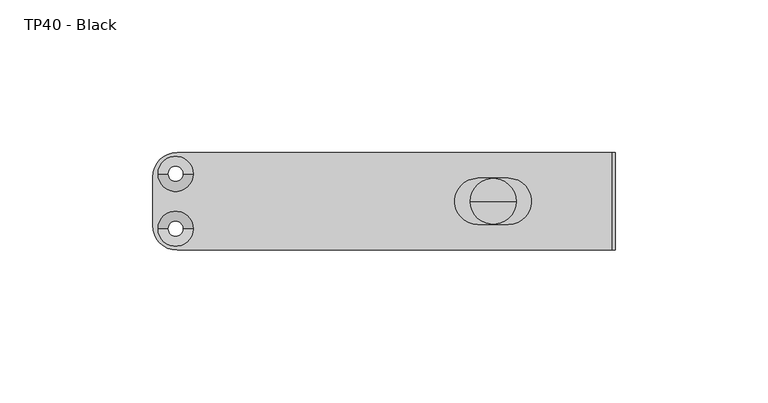
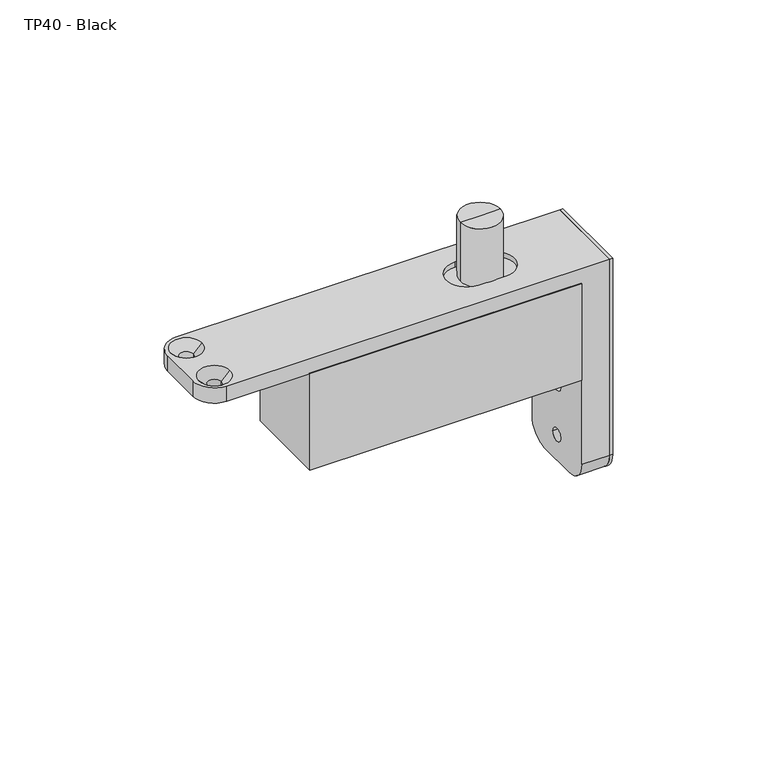
"""IFC4 building model written with IfcOpenShell, lengths in millimetres: proxy geometry, TP40 - Black."""

from ifc_helpers import new_model, si_unit, point, frame, frame_2d, origin, place, context, project, spatial, polyline, circle_curve, trimmed, segment, composite_curve, outline, extrude, source, transform, mapped, element, save
from ifc_brep_helpers import plane_surface, cylinder_surface, revolved_surface, advanced_brep


def tp40_black_34cb87ef(model_context):
    return source(origin(), model_context, "Body", "SolidModel", [
        extrude(outline(composite_curve([segment(polyline([(-16.0, 0.0), (16.0, 0.0), (16.0, -77.0)]), True, "CONTINUOUS"), segment(trimmed(circle_curve(frame_2d((8.0, -77.0)), 8.0), [point((16.0, -77.0))], [point((8.0, -85.0))], False, "CARTESIAN"), True, "CONTINUOUS"), segment(polyline([(8.0, -85.0), (-8.0, -85.0)]), True, "CONTINUOUS"), segment(trimmed(circle_curve(frame_2d((-8.0, -77.0)), 8.0), [point((-8.0, -85.0))], [point((-16.0, -77.0))], False, "CARTESIAN"), True, "CONTINUOUS"), segment(polyline([(-16.0, -77.0), (-16.0, 0.0)]), True, "CONTINUOUS")], self_intersect=False)), frame((39.0, 0.0, 0.0), z_axis=(1.0, 0.0, 0.0), x_axis=(0.0, 1.0, 0.0)), (0.0, 0.0, 1.0), 1.0),
        extrude(outline(polyline([(28.5, -16.0), (-72.5, -16.0), (-72.5, 16.0), (28.5, 16.0), (28.5, -16.0)])), frame((0.0, 0.0, -44.0), z_axis=(0.0, 0.0, 1.0), x_axis=(1.0, 0.0, 0.0)), (0.0, 0.0, 1.0), 38.0),
        advanced_brep(
        [(7.5, 0.0, -2.0), (-7.5, 0.0, -2.0), (-7.5, 0.0, 21.0), (7.5, 0.0, 21.0), (0.0, 0.0, -2.0), (0.0, 0.0, 21.0)],
        [
            (0, 1, circle_curve(frame((0.0, 0.0, -2.0), z_axis=(0.0, 0.0, 1.0), x_axis=(-1.0, 0.0, 0.0)), 7.5)),
            (1, 2),
            (2, 3, circle_curve(frame((0.0, 0.0, 21.0), z_axis=(0.0, 0.0, -1.0), x_axis=(-1.0, 0.0, 0.0)), 7.5)),
            (3, 0),
            (1, 0, circle_curve(frame((0.0, 0.0, -2.0), z_axis=(0.0, 0.0, 1.0), x_axis=(-1.0, 0.0, 0.0)), 7.5)),
            (3, 2, circle_curve(frame((0.0, 0.0, 21.0), z_axis=(0.0, 0.0, -1.0), x_axis=(-1.0, 0.0, 0.0)), 7.5)),
            (4, 1),
            (0, 4),
            (2, 5),
            (5, 3),
        ],
        [
            cylinder_surface(frame((0.0, 0.0, 29.4005806), z_axis=(0.0, 0.0, -1.0), x_axis=(-1.0, 0.0, 0.0)), 7.5),
            plane_surface(frame((0.0, 0.0, -2.0), z_axis=(0.0, 0.0, -1.0), x_axis=(-1.0, 0.0, 0.0))),
            plane_surface(frame((0.0, 0.0, 21.0), z_axis=(0.0, 0.0, 1.0), x_axis=(-1.0, 0.0, 0.0))),
        ],
        [
            (0, [[1, 2, 3, 4]]),
            (0, [[5, -4, 6, -2]]),
            (1, [[7, -1, 8]]),
            (1, [[-8, -5, -7]]),
            (2, [[-3, 9, 10]]),
            (2, [[-6, -10, -9]]),
        ],
    ),
        advanced_brep(
        [(-103.5, -16.0, -6.0), (28.5, -16.0, -6.0), (28.5, -16.0, -77.0), (39.0, -16.0, -77.0), (39.0, -16.0, 0.0), (-103.5, -16.0, 0.0), (-103.5, 16.0, 0.0), (39.0, 16.0, 0.0), (39.0, 16.0, -77.0), (28.5, 16.0, -77.0), (28.5, 16.0, -6.0), (-103.5, 16.0, -6.0), (-111.5, -8.0, 0.0), (-111.5, 8.0, 0.0), (-111.5, 8.0, -6.0), (-111.5, -8.0, -6.0), (-109.75, 9.0, 0.0), (-98.25, 9.0, 0.0), (-98.25, -9.0, 0.0), (-109.75, -9.0, 0.0), (-5.0, 7.55, 0.0), (5.0, 7.55, 0.0), (5.0, -7.55, 0.0), (-5.0, -7.55, 0.0), (39.0, -8.0, -85.0), (39.0, 8.0, -85.0), (-101.5, 9.0, -6.0), (-106.5, 9.0, -6.0), (-106.5, -9.0, -6.0), (-101.5, -9.0, -6.0), (-101.5, 9.0, -3.25), (-106.5, 9.0, -3.25), (-101.5, -9.0, -3.25), (-106.5, -9.0, -3.25), (5.0, 7.55, -2.0), (-5.0, 7.55, -2.0), (-5.0, -7.55, -2.0), (5.0, -7.55, -2.0), (28.5, 8.0, -85.0), (28.5, -8.0, -85.0), (28.5, -2.5, -55.0), (28.5, 2.5, -55.0), (28.5, -2.5, -75.0), (28.5, 2.5, -75.0), (35.7536635, -2.5, -55.0), (35.7536635, 0.0, -55.0), (35.7536635, 2.5, -55.0), (35.7536635, -2.5, -75.0), (35.7536635, 0.0, -75.0), (35.7536635, 2.5, -75.0)],
        [
            (0, 1),
            (1, 2),
            (2, 3),
            (3, 4),
            (4, 5),
            (5, 0),
            (6, 7),
            (7, 8),
            (8, 9),
            (9, 10),
            (10, 11),
            (11, 6),
            (12, 13),
            (13, 14),
            (14, 15),
            (15, 12),
            (4, 7),
            (6, 13, circle_curve(frame((-103.5, 8.0, 0.0), z_axis=(0.0, 0.0, 1.0), x_axis=(0.0, -1.0, 0.0)), 8.0)),
            (12, 5, circle_curve(frame((-103.5, -8.0, 0.0), z_axis=(0.0, 0.0, 1.0), x_axis=(0.0, -1.0, 0.0)), 8.0)),
            (16, 17, circle_curve(frame((-104.0, 9.0, 0.0), z_axis=(0.0, 0.0, -1.0), x_axis=(-1.0, 0.0, 0.0)), 5.75)),
            (17, 16, circle_curve(frame((-104.0, 9.0, 0.0), z_axis=(0.0, 0.0, -1.0), x_axis=(-1.0, 0.0, 0.0)), 5.75)),
            (18, 19, circle_curve(frame((-104.0, -9.0, 0.0), z_axis=(0.0, 0.0, -1.0), x_axis=(-1.0, 0.0, 0.0)), 5.75)),
            (19, 18, circle_curve(frame((-104.0, -9.0, 0.0), z_axis=(0.0, 0.0, -1.0), x_axis=(-1.0, 0.0, 0.0)), 5.75)),
            (20, 21),
            (21, 22, circle_curve(frame((5.0, 0.0, 0.0), z_axis=(0.0, 0.0, -1.0), x_axis=(0.0, -1.0, 0.0)), 7.55)),
            (22, 23),
            (23, 20, circle_curve(frame((-5.0, 0.0, 0.0), z_axis=(0.0, 0.0, -1.0), x_axis=(0.0, -1.0, 0.0)), 7.55)),
            (3, 24, circle_curve(frame((39.0, -8.0, -77.0), z_axis=(1.0, 0.0, 0.0), x_axis=(0.0, 0.0, -1.0)), 8.0)),
            (24, 25),
            (25, 8, circle_curve(frame((39.0, 8.0, -77.0), z_axis=(1.0, 0.0, 0.0), x_axis=(0.0, 0.0, -1.0)), 8.0)),
            (10, 1),
            (0, 15, circle_curve(frame((-103.5, -8.0, -6.0), z_axis=(0.0, 0.0, -1.0), x_axis=(0.0, -1.0, 0.0)), 8.0)),
            (14, 11, circle_curve(frame((-103.5, 8.0, -6.0), z_axis=(0.0, 0.0, -1.0), x_axis=(0.0, -1.0, 0.0)), 8.0)),
            (26, 27, circle_curve(frame((-104.0, 9.0, -6.0), z_axis=(0.0, 0.0, 1.0), x_axis=(-1.0, 0.0, 0.0)), 2.5)),
            (27, 26, circle_curve(frame((-104.0, 9.0, -6.0), z_axis=(0.0, 0.0, 1.0), x_axis=(-1.0, 0.0, 0.0)), 2.5)),
            (28, 29, circle_curve(frame((-104.0, -9.0, -6.0), z_axis=(0.0, 0.0, 1.0), x_axis=(-1.0, 0.0, 0.0)), 2.5)),
            (29, 28, circle_curve(frame((-104.0, -9.0, -6.0), z_axis=(0.0, 0.0, 1.0), x_axis=(-1.0, 0.0, 0.0)), 2.5)),
            (26, 30),
            (30, 31, circle_curve(frame((-104.0, 9.0, -3.25), z_axis=(0.0, 0.0, 1.0), x_axis=(-1.0, 0.0, 0.0)), 2.5)),
            (31, 27),
            (31, 30, circle_curve(frame((-104.0, 9.0, -3.25), z_axis=(0.0, 0.0, 1.0), x_axis=(-1.0, 0.0, 0.0)), 2.5)),
            (30, 17),
            (16, 31),
            (32, 29),
            (28, 33),
            (33, 32, circle_curve(frame((-104.0, -9.0, -3.25), z_axis=(0.0, 0.0, 1.0), x_axis=(-1.0, 0.0, 0.0)), 2.5)),
            (32, 33, circle_curve(frame((-104.0, -9.0, -3.25), z_axis=(0.0, 0.0, 1.0), x_axis=(-1.0, 0.0, 0.0)), 2.5)),
            (33, 19),
            (18, 32),
            (34, 35),
            (35, 36, circle_curve(frame((-5.0, 0.0, -2.0), z_axis=(0.0, 0.0, 1.0), x_axis=(0.0, -1.0, 0.0)), 7.55)),
            (36, 37),
            (37, 34, circle_curve(frame((5.0, 0.0, -2.0), z_axis=(0.0, 0.0, 1.0), x_axis=(0.0, -1.0, 0.0)), 7.55)),
            (34, 21),
            (20, 35),
            (23, 36),
            (22, 37),
            (9, 38, circle_curve(frame((28.5, 8.0, -77.0), z_axis=(-1.0, 0.0, 0.0), x_axis=(0.0, 0.0, -1.0)), 8.0)),
            (38, 39),
            (39, 2, circle_curve(frame((28.5, -8.0, -77.0), z_axis=(-1.0, 0.0, 0.0), x_axis=(0.0, 0.0, -1.0)), 8.0)),
            (40, 41, circle_curve(frame((28.5, 0.0, -55.0), z_axis=(1.0, 0.0, 0.0), x_axis=(0.0, 1.0, 0.0)), 2.5)),
            (41, 40, circle_curve(frame((28.5, 0.0, -55.0), z_axis=(1.0, 0.0, 0.0), x_axis=(0.0, 1.0, 0.0)), 2.5)),
            (42, 43, circle_curve(frame((28.5, 0.0, -75.0), z_axis=(1.0, 0.0, 0.0), x_axis=(0.0, 1.0, 0.0)), 2.5)),
            (43, 42, circle_curve(frame((28.5, 0.0, -75.0), z_axis=(1.0, 0.0, 0.0), x_axis=(0.0, 1.0, 0.0)), 2.5)),
            (24, 39),
            (38, 25),
            (44, 45),
            (45, 46),
            (46, 44, circle_curve(frame((35.7536635, 0.0, -55.0), z_axis=(-1.0, 0.0, 0.0), x_axis=(0.0, 1.0, 0.0)), 2.5)),
            (44, 46, circle_curve(frame((35.7536635, 0.0, -55.0), z_axis=(-1.0, 0.0, 0.0), x_axis=(0.0, 1.0, 0.0)), 2.5)),
            (46, 41),
            (40, 44),
            (47, 48),
            (48, 49),
            (49, 47, circle_curve(frame((35.7536635, 0.0, -75.0), z_axis=(-1.0, 0.0, 0.0), x_axis=(0.0, 1.0, 0.0)), 2.5)),
            (47, 49, circle_curve(frame((35.7536635, 0.0, -75.0), z_axis=(-1.0, 0.0, 0.0), x_axis=(0.0, 1.0, 0.0)), 2.5)),
            (49, 43),
            (42, 47),
        ],
        [
            plane_surface(frame((-62.0, -16.0, -6.0), z_axis=(0.0, -1.0, 0.0), x_axis=(1.0, 0.0, 0.0))),
            plane_surface(frame((-62.0, 16.0, -6.0), z_axis=(0.0, 1.0, 0.0), x_axis=(-1.0, 0.0, 0.0))),
            plane_surface(frame((-111.5, -16.0, 0.0), z_axis=(-1.0, 0.0, 0.0), x_axis=(0.0, 1.0, 0.0))),
            plane_surface(frame((39.0, -16.0, 0.0), z_axis=(0.0, 0.0, 1.0), x_axis=(0.0, 1.0, 0.0))),
            plane_surface(frame((39.0, -16.0, -85.0), z_axis=(1.0, 0.0, 0.0), x_axis=(0.0, 1.0, 0.0))),
            plane_surface(frame((-111.5, -16.0, -6.0), z_axis=(0.0, 0.0, -1.0), x_axis=(0.0, 1.0, 0.0))),
            cylinder_surface(frame((-103.5, -8.0, -7.0), z_axis=(0.0, 0.0, -1.0), x_axis=(0.0, -1.0, 0.0)), 8.0),
            cylinder_surface(frame((-103.5, 8.0, 0.0), z_axis=(0.0, 0.0, -1.0), x_axis=(0.0, -1.0, 0.0)), 8.0),
            revolved_surface(polyline([(-106.5, 9.0, -6.0), (-106.5, 9.0, -3.2499999999999996)]), (-104.0, 9.0, 2.7351973), (0.0, 0.0, -1.0)),
            revolved_surface(polyline([(-106.5, 9.0, -3.25), (-109.75, 9.0, 0.0)]), (-104.0, 9.0, 2.7351973), (0.0, 0.0, -1.0)),
            revolved_surface(polyline([(-106.5, -9.0, -3.2499999999999996), (-106.5, -9.0, -6.0)]), (-104.0, -9.0, 2.7351973), (0.0, 0.0, 1.0)),
            revolved_surface(polyline([(-109.75, -9.0, 0.0), (-106.5, -9.0, -3.25)]), (-104.0, -9.0, 2.7351973), (0.0, 0.0, 1.0)),
            plane_surface(frame((0.0, 0.0, -2.0), z_axis=(0.0, 0.0, 1.0), x_axis=(0.0, -1.0, 0.0))),
            plane_surface(frame((5.0, 7.55, 0.0), z_axis=(0.0, -1.0, 0.0), x_axis=(0.0, 0.0, -1.0))),
            revolved_surface(polyline([(-5.0, -7.55, 0.0), (-5.0, -7.55, -2.0)]), (-5.0, 0.0, 0.0), (0.0, 0.0, 1.0)),
            plane_surface(frame((-5.0, -7.55, 0.0), z_axis=(0.0, 1.0, 0.0), x_axis=(0.0, 0.0, -1.0))),
            revolved_surface(polyline([(5.0, -7.55, 0.0), (5.0, -7.55, -2.0)]), (5.0, 0.0, 0.0), (0.0, 0.0, 1.0)),
            plane_surface(frame((28.5, -16.0, -6.0), z_axis=(-1.0, 0.0, 0.0), x_axis=(0.0, 1.0, 0.0))),
            plane_surface(frame((28.5, -16.0, -85.0), z_axis=(0.0, 0.0, -1.0), x_axis=(0.0, 1.0, 0.0))),
            cylinder_surface(frame((28.5, -8.0, -77.0), z_axis=(-1.0, 0.0, 0.0), x_axis=(0.0, 0.0, -1.0)), 8.0),
            cylinder_surface(frame((40.0, 8.0, -77.0), z_axis=(-1.0, 0.0, 0.0), x_axis=(0.0, 0.0, -1.0)), 8.0),
            plane_surface(frame((35.7536635, 0.0, -55.0), z_axis=(-1.0, 0.0, 0.0), x_axis=(0.0, 1.0, 0.0))),
            revolved_surface(polyline([(28.5, 2.5, -55.0), (35.7536635, 2.5, -55.0)]), (49.2693834, 0.0, -55.0), (-1.0, 0.0, 0.0)),
            plane_surface(frame((35.7536635, 0.0, -75.0), z_axis=(-1.0, 0.0, 0.0), x_axis=(0.0, 1.0, 0.0))),
            revolved_surface(polyline([(28.5, 2.5, -75.0), (35.7536635, 2.5, -75.0)]), (49.2693834, 0.0, -75.0), (-1.0, 0.0, 0.0)),
        ],
        [
            (0, [[1, 2, 3, 4, 5, 6]]),
            (1, [[7, 8, 9, 10, 11, 12]]),
            (2, [[13, 14, 15, 16]]),
            (3, [[17, -7, 18, -13, 19, -5], [20, 21], [22, 23], [24, 25, 26, 27]]),
            (4, [[-17, -4, 28, 29, 30, -8]]),
            (5, [[31, -1, 32, -15, 33, -11], [34, 35], [36, 37]]),
            (6, [[-6, -19, -16, -32]]),
            (7, [[-12, -33, -14, -18]]),
            (8, [[38, 39, 40, -34]]),
            (8, [[-38, -35, -40, 41]]),
            (9, [[-39, 42, -20, 43]]),
            (9, [[-41, -43, -21, -42]]),
            (10, [[44, -36, 45, 46]]),
            (10, [[-44, 47, -45, -37]]),
            (11, [[-46, 48, -22, 49]]),
            (11, [[-47, -49, -23, -48]]),
            (12, [[50, 51, 52, 53]]),
            (13, [[-50, 54, -24, 55]]),
            (14, [[-51, -55, -27, 56]]),
            (15, [[-52, -56, -26, 57]]),
            (16, [[-53, -57, -25, -54]]),
            (17, [[-31, -10, 58, 59, 60, -2], [61, 62], [63, 64]]),
            (18, [[-29, 65, -59, 66]]),
            (19, [[-3, -60, -65, -28]]),
            (20, [[-9, -30, -66, -58]]),
            (21, [[67, 68, 69]]),
            (21, [[-67, 70, -68]]),
            (22, [[-69, 71, -61, 72]]),
            (22, [[-70, -72, -62, -71]]),
            (23, [[73, 74, 75]]),
            (23, [[-73, 76, -74]]),
            (24, [[-75, 77, -63, 78]]),
            (24, [[-76, -78, -64, -77]]),
        ],
    ),
    ])


if __name__ == "__main__":
    model = new_model("IFC4")
    model_context = context("Model", 3, world=origin())
    ifc_project = project(units=[si_unit("LENGTHUNIT", "METRE", prefix="MILLI")], contexts=[model_context])
    site = spatial("IfcSite", under=ifc_project)
    building = spatial("IfcBuilding", under=site)
    placement = place(None, origin())
    tp40_black_shape = tp40_black_34cb87ef(model_context)
    element("IfcBuildingElementProxy", 1, Name="TP40 - Black", ObjectType="TP40 - Black", at=placement, inside=building, context=model_context, shape_type="MappedRepresentation", body=[
        mapped(tp40_black_shape, transform((0.0, 0.0, 0.0), x_axis=(1.0, 0.0, 0.0), y_axis=(0.0, 1.0, 0.0), z_axis=(0.0, 0.0, 1.0))),
    ])
    save(model, "model.ifc")
